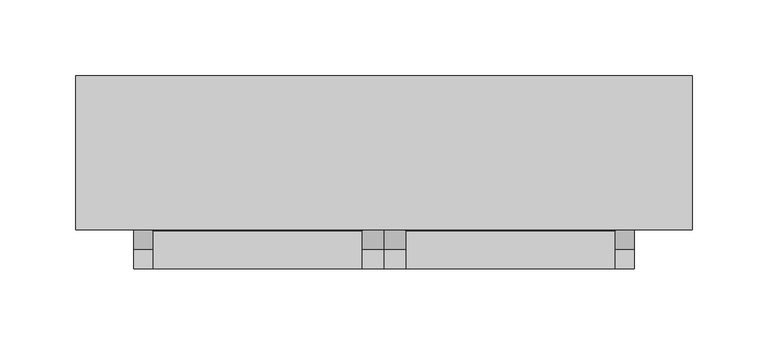
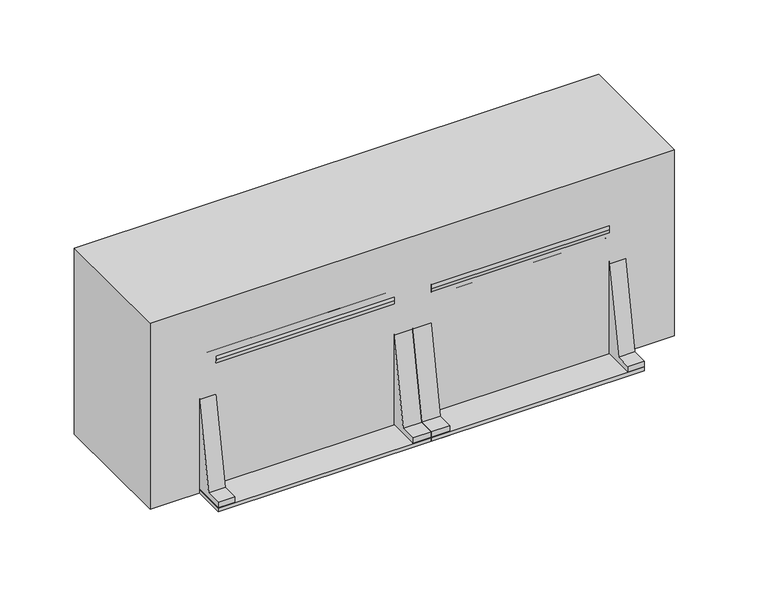
"""IFC4 building model written with IfcOpenShell, lengths in millimetres: proxy geometry."""

from ifc_helpers import new_model, si_unit, point, frame, frame_2d, origin, origin_with_axes, place, context, project, spatial, polyline, circle_curve, trimmed, segment, composite_curve, outline, extrude, faceted_brep, source, transform, mapped, element, save


def specialty_equipment_d6a35412(model_context):
    return source(origin(), model_context, "Body", "SolidModel", [
        extrude(outline(polyline([(203.2, 0.0), (203.2, -101.6), (-203.2, -101.6), (-203.2, 0.0), (203.2, 0.0)])), origin_with_axes(), (0.0, 0.0, 1.0), 152.4),
        faceted_brep([(152.4, -3.175, 3.175), (-152.4, -3.175, 3.175), (-152.4, -12.7, 3.175), (152.4, -12.7, 3.175), (165.1, -12.7, 149.225), (165.1, 0.0, 149.225), (-165.1, 0.0, 149.225), (-165.1, -12.7, 149.225), (165.1, -12.7, 0.0), (-165.1, -12.7, 0.0), (-165.1, 0.0, 0.0), (165.1, 0.0, 0.0), (-152.4, -12.7, 145.6205323), (152.4, -12.7, 145.6205323), (152.4, -3.175, 145.6205323), (-152.4, -3.175, 145.6205323)], [[[0, 1, 2, 3]], [[4, 5, 6, 7]], [[8, 9, 10, 11]], [[5, 4, 8, 11]], [[6, 5, 11, 10]], [[7, 6, 10, 9]], [[4, 7, 9, 8], [12, 13, 3, 2]], [[14, 15, 1, 0]], [[15, 14, 13, 12]], [[1, 15, 12, 2]], [[14, 0, 3, 13]]]),
        extrude(outline(polyline([(0.0, -12.7), (165.1, -12.7), (165.1, -127.2036203), (0.0, -127.2036203), (0.0, -12.7)])), origin_with_axes(), (0.0, 0.0, 1.0), 3.175),
        extrude(outline(polyline([(-124.0286203, 0.0), (0.0, 0.0), (0.0, -7.9375), (-12.7, -7.9375), (-33.2613189, -120.65), (-114.5036203, -120.65), (-114.5036203, -3.175), (-124.0286203, -3.175), (-124.0286203, 0.0)])), frame((0.0, -127.2036203, 0.0), z_axis=(1.0, 1.020266240683039e-12, 0.0), x_axis=(1.020266240683039e-12, -1.0, 0.0)), (0.0, 0.0, 1.0), 14.2875),
        extrude(outline(polyline([(-114.5036203, 0.0), (0.0, 0.0), (0.0, -7.9375), (-12.7, -7.9375), (-33.2613189, -120.65), (-114.5036203, -120.65), (-114.5036203, 0.0)])), frame((152.4, -127.2036203, 0.0), z_axis=(1.0, 1.020266240683039e-12, 0.0), x_axis=(1.020266240683039e-12, -1.0, 0.0)), (0.0, 0.0, 1.0), 12.7),
        extrude(outline(polyline([(0.0, -12.7), (0.0, -127.2036203), (-165.1, -127.2036203), (-165.1, -12.7), (0.0, -12.7)])), origin_with_axes(), (0.0, 0.0, 1.0), 3.175),
        extrude(outline(polyline([(0.0, 0.0), (0.0, -124.0286203), (-7.9375, -124.0286203), (-7.9375, -111.3286203), (-120.65, -90.7673014), (-120.65, -9.525), (-3.175, -9.525), (-3.175, 0.0), (0.0, 0.0)])), frame((-14.2875, -3.175, 0.0), z_axis=(1.0, 1.0170616637688368e-12, 0.0), x_axis=(0.0, 0.0, -1.0)), (0.0, 0.0, 1.0), 14.2875),
        extrude(outline(polyline([(0.0, 0.0), (0.0, -114.5036203), (-7.9375, -114.5036203), (-7.9375, -101.8036203), (-120.65, -81.2423014), (-120.65, 0.0), (0.0, 0.0)])), frame((-165.1, -12.7, 0.0), z_axis=(1.0, 1.0170616637688368e-12, 0.0), x_axis=(0.0, 0.0, -1.0)), (0.0, 0.0, 1.0), 12.7),
        extrude(outline(composite_curve([segment(trimmed(circle_curve(frame_2d((0.0, -13.382926)), 13.382926), [point((0.0, -26.765852))], [point((0.0, 0.0))], False, "CARTESIAN"), True, "CONTINUOUS"), segment(trimmed(circle_curve(frame_2d((0.0, -13.382926)), 13.382926), [point((0.0, 0.0))], [point((0.0, -26.765852))], False, "CARTESIAN"), True, "CONTINUOUS")], self_intersect=False)), frame((14.2875, -75.517074, 105.1171268), z_axis=(1.0, 1.020266240683039e-12, 0.0), x_axis=(0.0, 0.0, -1.0)), (0.0, 0.0, 1.0), 138.1125),
        extrude(outline(composite_curve([segment(trimmed(circle_curve(frame_2d((0.0, -1.8851296)), 1.8851296), [point((0.0, -3.7702592))], [point((0.0, 0.0))], False, "CARTESIAN"), True, "CONTINUOUS"), segment(trimmed(circle_curve(frame_2d((0.0, -1.8851296)), 1.8851296), [point((0.0, 0.0))], [point((0.0, -3.7702592))], False, "CARTESIAN"), True, "CONTINUOUS")], self_intersect=False)), frame((14.2875, -88.9, 107.0022564), z_axis=(1.0, 1.018725182543629e-12, 0.0), x_axis=(-1.018725182543629e-12, 1.0, 0.0)), (0.0, 0.0, 1.0), 138.1125),
        extrude(outline(composite_curve([segment(trimmed(circle_curve(frame_2d((0.0, -13.382926)), 13.382926), [point((0.0, -26.765852))], [point((0.0, 0.0))], False, "CARTESIAN"), True, "CONTINUOUS"), segment(trimmed(circle_curve(frame_2d((0.0, -13.382926)), 13.382926), [point((0.0, 0.0))], [point((0.0, -26.765852))], False, "CARTESIAN"), True, "CONTINUOUS")], self_intersect=False)), frame((-152.4, -75.517074, 105.1171268), z_axis=(1.0, 1.0170616637688368e-12, 0.0), x_axis=(0.0, 0.0, -1.0)), (0.0, 0.0, 1.0), 138.1125),
        extrude(outline(composite_curve([segment(trimmed(circle_curve(frame_2d((0.0, -1.8851296)), 1.8851296), [point((0.0, -3.7702592))], [point((0.0, 0.0))], False, "CARTESIAN"), True, "CONTINUOUS"), segment(trimmed(circle_curve(frame_2d((0.0, -1.8851296)), 1.8851296), [point((0.0, 0.0))], [point((0.0, -3.7702592))], False, "CARTESIAN"), True, "CONTINUOUS")], self_intersect=False)), frame((-152.4, -88.9, 107.0022564), z_axis=(1.0, 1.0186027219082467e-12, 0.0), x_axis=(-1.0186027219082467e-12, 1.0, 0.0)), (0.0, 0.0, 1.0), 138.1125),
    ])


if __name__ == "__main__":
    model = new_model("IFC4")
    model_context = context("Model", 3, world=origin())
    ifc_project = project(units=[si_unit("LENGTHUNIT", "METRE", prefix="MILLI")], contexts=[model_context])
    site = spatial("IfcSite", under=ifc_project)
    building = spatial("IfcBuilding", under=site)
    placement = place(None, origin())
    specialty_equipment_shape = specialty_equipment_d6a35412(model_context)
    element("IfcBuildingElementProxy", 1, Name="Specialty Equipment", at=placement, inside=building, context=model_context, shape_type="MappedRepresentation", body=[
        mapped(specialty_equipment_shape, transform((0.0, 0.0, 0.0), x_axis=(1.0, 0.0, 0.0), y_axis=(0.0, 1.0, 0.0), z_axis=(0.0, 0.0, 1.0))),
    ])
    save(model, "model.ifc")
